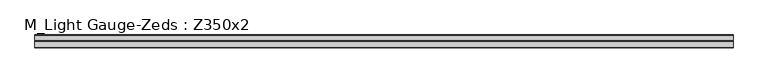
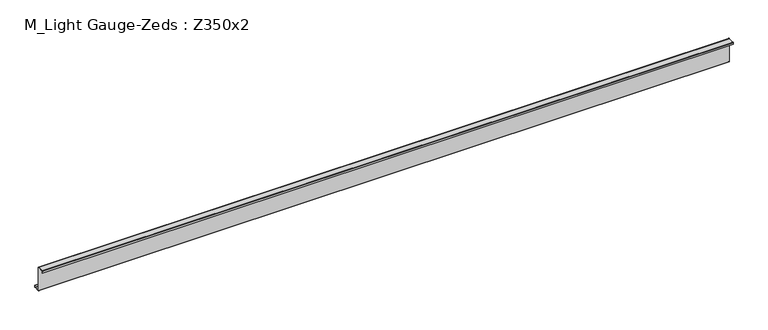
"""IFC4 building model written with IfcOpenShell, lengths in millimetres: beam geometry, M_Light Gauge-Zeds : Z350x2."""

from ifc_helpers import new_model, si_unit, point, frame, frame_2d, origin, place, context, project, spatial, polyline, circle_curve, trimmed, segment, composite_curve, outline, extrude, source, transform, mapped, element, save


def m_light_gauge_zeds_z350x2_f6470fa2(model_context):
    return source(origin(), model_context, "Body", "SweptSolid", [
        extrude(outline(composite_curve([segment(polyline([(0.0, -171.0), (0.0, 171.0)]), True, "CONTINUOUS"), segment(trimmed(circle_curve(frame_2d((-2.0, 171.0)), 2.0), [point((0.0, 171.0))], [point((-2.0, 173.0))], True, "CARTESIAN"), True, "CONTINUOUS"), segment(polyline([(-2.0, 173.0), (-90.0, 173.0)]), True, "CONTINUOUS"), segment(trimmed(circle_curve(frame_2d((-90.0, 171.0)), 2.0), [point((-90.0, 173.0))], [point((-92.0, 171.0))], True, "CARTESIAN"), True, "CONTINUOUS"), segment(polyline([(-92.0, 171.0), (-92.0, 145.0), (-94.0, 145.0), (-94.0, 171.0)]), True, "CONTINUOUS"), segment(trimmed(circle_curve(frame_2d((-90.0, 171.0)), 4.0), [point((-94.0, 171.0))], [point((-90.0, 175.0))], False, "CARTESIAN"), True, "CONTINUOUS"), segment(polyline([(-90.0, 175.0), (-2.0, 175.0)]), True, "CONTINUOUS"), segment(trimmed(circle_curve(frame_2d((-2.0, 171.0)), 4.0), [point((-2.0, 175.0))], [point((2.0, 171.0))], False, "CARTESIAN"), True, "CONTINUOUS"), segment(polyline([(2.0, 171.0), (2.0, -171.0)]), True, "CONTINUOUS"), segment(trimmed(circle_curve(frame_2d((4.0, -171.0)), 2.0), [point((2.0, -171.0))], [point((4.0, -173.0))], True, "CARTESIAN"), True, "CONTINUOUS"), segment(polyline([(4.0, -173.0), (82.0, -173.0)]), True, "CONTINUOUS"), segment(trimmed(circle_curve(frame_2d((82.0, -171.0)), 2.0), [point((82.0, -173.0))], [point((84.0, -171.0))], True, "CARTESIAN"), True, "CONTINUOUS"), segment(polyline([(84.0, -171.0), (84.0, -145.0), (86.0, -145.0), (86.0, -171.0)]), True, "CONTINUOUS"), segment(trimmed(circle_curve(frame_2d((82.0, -171.0)), 4.0), [point((86.0, -171.0))], [point((82.0, -175.0))], False, "CARTESIAN"), True, "CONTINUOUS"), segment(polyline([(82.0, -175.0), (4.0, -175.0)]), True, "CONTINUOUS"), segment(trimmed(circle_curve(frame_2d((4.0, -171.0)), 4.0), [point((4.0, -175.0))], [point((0.0, -171.0))], False, "CARTESIAN"), True, "CONTINUOUS")], self_intersect=False)), frame((-4785.3551142, 0.0, 0.0), z_axis=(1.0, 0.0, 0.0), x_axis=(0.0, 1.0, 0.0)), (0.0, 0.0, 1.0), 9672.6551142),
    ])


if __name__ == "__main__":
    model = new_model("IFC4")
    model_context = context("Model", 3, world=origin())
    ifc_project = project(units=[si_unit("LENGTHUNIT", "METRE", prefix="MILLI")], contexts=[model_context])
    site = spatial("IfcSite", under=ifc_project)
    building = spatial("IfcBuilding", under=site)
    placement = place(None, origin())
    m_light_gauge_zeds_z350x2_shape = m_light_gauge_zeds_z350x2_f6470fa2(model_context)
    element("IfcBeam", 1, ObjectType="M_Light Gauge-Zeds : Z350x2", at=placement, inside=building, context=model_context, shape_type="MappedRepresentation", body=[
        mapped(m_light_gauge_zeds_z350x2_shape, transform((0.0, 0.0, 0.0), x_axis=(1.0, 0.0, 0.0), y_axis=(0.0, 1.0, 0.0), z_axis=(0.0, 0.0, 1.0))),
    ])
    save(model, "model.ifc")
